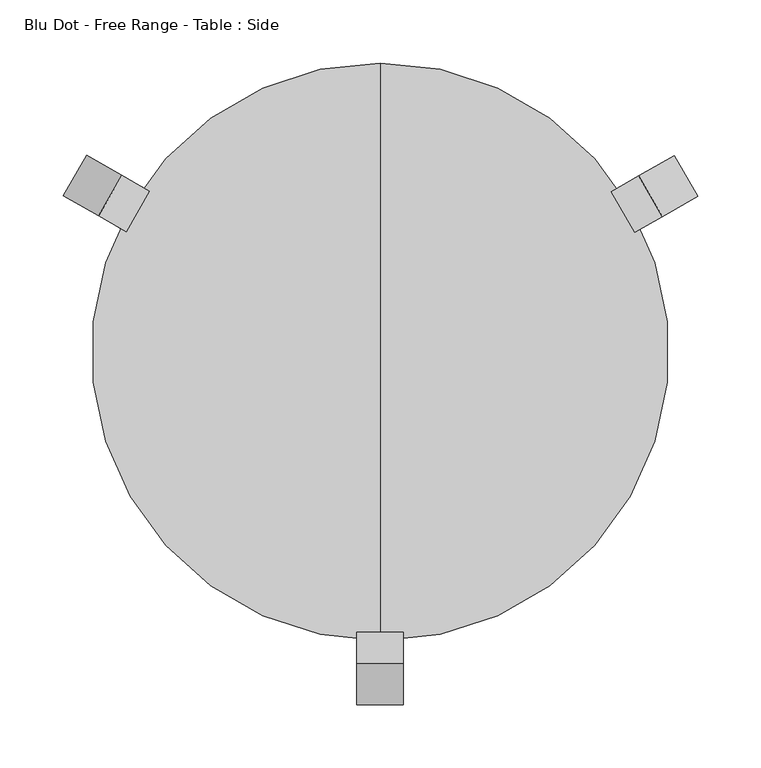
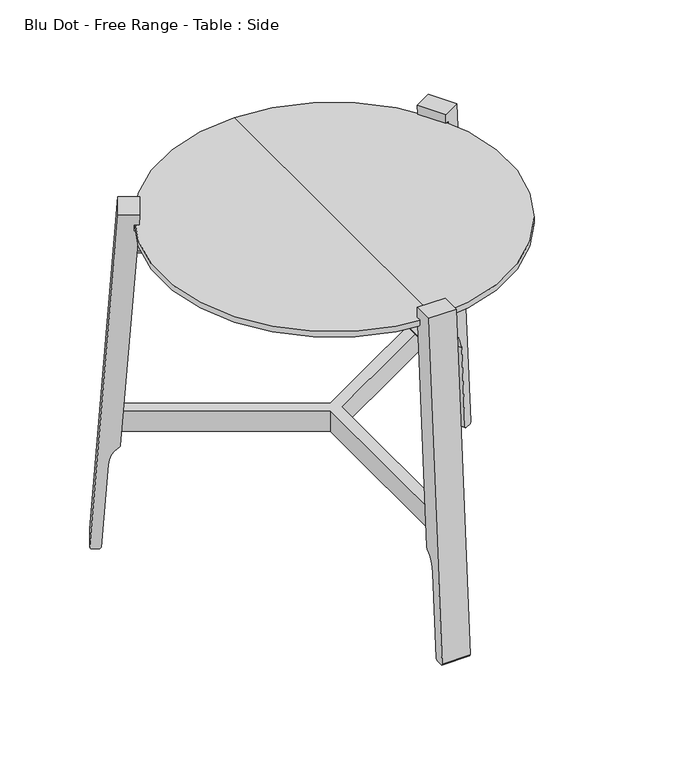
"""IFC4 building model written with IfcOpenShell, lengths in millimetres: furniture geometry, Blu Dot - Free Range - Table : Side."""

from ifc_helpers import new_model, si_unit, point, frame, frame_2d, origin, place, context, project, spatial, polyline, circle_curve, ellipse_curve, trimmed, segment, composite_curve, outline, extrude, source, transform, mapped, element, save
from ifc_brep_helpers import plane_surface, cylinder_surface, advanced_brep


def blu_dot_free_range_table_side_fd73000d(model_context):
    return source(origin(), model_context, "Body", "SolidModel", [
        advanced_brep(
        [(-3.8148108, -228.8088489, 404.9991165), (3.8148108, -228.8088489, 404.9991165), (-3.8148108, -2.202482, 404.9991165), (0.0, 0.0, 401.1843058), (3.8148108, -2.202482, 404.9991165), (0.0, 0.0, 408.8139273), (-196.2468704, 117.7081475, 404.9991165), (-200.0616812, 111.1007014, 404.9991165), (0.0, 4.404964, 404.9991165), (200.0616812, 111.1007014, 404.9991165), (196.2468704, 117.7081475, 404.9991165)],
        [
            (0, 1, circle_curve(frame((0.0, -228.8088489, 404.9991165), z_axis=(0.0, -1.0, 0.0), x_axis=(1.0, 0.0, 0.0)), 3.8148108)),
            (1, 0, circle_curve(frame((0.0, -228.8088489, 404.9991165), z_axis=(0.0, -1.0, 0.0), x_axis=(1.0, 0.0, 0.0)), 3.8148108)),
            (0, 2),
            (2, 3, ellipse_curve(frame((0.0, 0.0, 404.9991165), z_axis=(0.5000000000000023, -0.8660254037844373, 0.0), x_axis=(-0.8660254037844373, -0.5000000000000026, 0.0)), 4.404964, 3.8148108)),
            (3, 4, ellipse_curve(frame((0.0, 0.0, 404.9991165), z_axis=(-0.499999999999972, -0.8660254037844547, 0.0), x_axis=(0.8660254037844547, -0.49999999999997247, 0.0)), 4.404964, 3.8148108)),
            (4, 1),
            (4, 5, ellipse_curve(frame((0.0, 0.0, 404.9991165), z_axis=(-0.499999999999972, -0.8660254037844547, 0.0), x_axis=(0.8660254037844547, -0.49999999999997247, 0.0)), 4.404964, 3.8148108)),
            (5, 2, ellipse_curve(frame((0.0, 0.0, 404.9991165), z_axis=(0.5000000000000023, -0.8660254037844373, 0.0), x_axis=(-0.8660254037844373, -0.5000000000000026, 0.0)), 4.404964, 3.8148108)),
            (6, 7, circle_curve(frame((-198.1542758, 114.4044245, 404.9991165), z_axis=(-0.8660254037844414, 0.49999999999999534, 0.0), x_axis=(-0.49999999999999534, -0.8660254037844414, 0.0)), 3.8148108)),
            (7, 6, circle_curve(frame((-198.1542758, 114.4044245, 404.9991165), z_axis=(-0.8660254037844414, 0.49999999999999534, 0.0), x_axis=(-0.49999999999999534, -0.8660254037844414, 0.0)), 3.8148108)),
            (6, 8),
            (8, 3, ellipse_curve(frame((0.0, 0.0, 404.9991165), z_axis=(-1.0, 0.0, 0.0), x_axis=(0.0, 1.0, 0.0)), 4.404964, 3.8148108)),
            (2, 7),
            (5, 8, ellipse_curve(frame((0.0, 0.0, 404.9991165), z_axis=(-1.0, 0.0, 0.0), x_axis=(0.0, 1.0, 0.0)), 4.404964, 3.8148108)),
            (9, 10, circle_curve(frame((198.1542758, 114.4044245, 404.9991165), z_axis=(0.8660254037844064, 0.500000000000056, 0.0), x_axis=(-0.500000000000056, 0.8660254037844064, 0.0)), 3.8148108)),
            (10, 9, circle_curve(frame((198.1542758, 114.4044245, 404.9991165), z_axis=(0.8660254037844064, 0.500000000000056, 0.0), x_axis=(-0.500000000000056, 0.8660254037844064, 0.0)), 3.8148108)),
            (9, 4),
            (8, 10),
        ],
        [
            plane_surface(frame((3.8148108, -228.8088489, 404.9991165), z_axis=(0.0, -1.0, 0.0), x_axis=(0.0, 0.0, 1.0))),
            cylinder_surface(frame((0.0, 0.0, 404.9991165), z_axis=(0.0, -1.0, 0.0), x_axis=(1.0, 0.0, 0.0)), 3.8148108),
            plane_surface(frame((-200.0616812, 111.1007014, 404.9991165), z_axis=(-0.8660254037844414, 0.49999999999999534, 0.0), x_axis=(0.0, 0.0, 1.0))),
            cylinder_surface(frame((0.0, 0.0, 404.9991165), z_axis=(-0.8660254037844414, 0.49999999999999534, 0.0), x_axis=(-0.49999999999999534, -0.8660254037844414, 0.0)), 3.8148108),
            plane_surface(frame((196.2468704, 117.7081475, 404.9991165), z_axis=(0.8660254037844064, 0.500000000000056, 0.0), x_axis=(0.0, 0.0, 1.0))),
            cylinder_surface(frame((0.0, 0.0, 404.9991165), z_axis=(0.8660254037844064, 0.500000000000056, 0.0), x_axis=(-0.500000000000056, 0.8660254037844064, 0.0)), 3.8148108),
        ],
        [
            (0, [[1, 2]]),
            (1, [[-1, 3, 4, 5, 6]]),
            (1, [[-2, -6, 7, 8, -3]]),
            (2, [[9, 10]]),
            (3, [[-9, 11, 12, -4, 13]]),
            (3, [[-10, -13, -8, 14, -11]]),
            (4, [[15, 16]]),
            (5, [[-15, 17, -5, -12, 18]]),
            (5, [[-16, -18, -14, -7, -17]]),
        ],
    ),
        extrude(outline(polyline([(-7.5123951, -262.315779), (-7.4491727, -4.3007819), (-230.928326, 124.6519645), (-223.4159309, 137.6638145), (0.0, 8.6015637), (223.4159309, 137.6638145), (230.928326, 124.6519645), (7.4491727, -4.3007819), (7.5123951, -262.315779), (-7.5123951, -262.315779)])), frame((0.0, 0.0, 156.1629244), z_axis=(0.0, 0.0, 1.0), x_axis=(1.0, 0.0, 0.0)), (0.0, 0.0, 1.0), 29.0231558),
        advanced_brep(
        [(0.0, 228.6, 442.1326784), (0.0, -228.6, 442.1326784), (0.0, -228.6, 449.7482019), (0.0, 228.6, 449.7482019), (0.0, 204.5380193, 442.1326784), (0.0, -204.5380193, 442.1326784), (0.0, 204.5380193, 433.8927017), (0.0, -204.5380193, 433.8927017), (0.0, 0.0, 433.8927017), (0.0, 0.0, 449.7482019)],
        [
            (0, 1, circle_curve(frame((0.0, 0.0, 442.1326784), z_axis=(0.0, 0.0, 1.0), x_axis=(0.0, -1.0, 0.0)), 228.6)),
            (1, 2),
            (2, 3, circle_curve(frame((0.0, 0.0, 449.7482019), z_axis=(0.0, 0.0, -1.0), x_axis=(0.0, -1.0, 0.0)), 228.6)),
            (3, 0),
            (1, 0, circle_curve(frame((0.0, 0.0, 442.1326784), z_axis=(0.0, 0.0, 1.0), x_axis=(0.0, -1.0, 0.0)), 228.6)),
            (3, 2, circle_curve(frame((0.0, 0.0, 449.7482019), z_axis=(0.0, 0.0, -1.0), x_axis=(0.0, -1.0, 0.0)), 228.6)),
            (4, 5, circle_curve(frame((0.0, 0.0, 442.1326784), z_axis=(0.0, 0.0, 1.0), x_axis=(0.0, -1.0, 0.0)), 204.5380193)),
            (5, 1),
            (0, 4),
            (5, 4, circle_curve(frame((0.0, 0.0, 442.1326784), z_axis=(0.0, 0.0, 1.0), x_axis=(0.0, -1.0, 0.0)), 204.5380193)),
            (6, 7, circle_curve(frame((0.0, 0.0, 433.8927017), z_axis=(0.0, 0.0, 1.0), x_axis=(0.0, -1.0, 0.0)), 204.5380193)),
            (7, 5),
            (4, 6),
            (7, 6, circle_curve(frame((0.0, 0.0, 433.8927017), z_axis=(0.0, 0.0, 1.0), x_axis=(0.0, -1.0, 0.0)), 204.5380193)),
            (8, 7),
            (6, 8),
            (2, 9),
            (9, 3),
        ],
        [
            cylinder_surface(frame((0.0, 0.0, 496.6249676), z_axis=(0.0, 0.0, -1.0), x_axis=(0.0, -1.0, 0.0)), 228.6),
            plane_surface(frame((0.0, 0.0, 442.1326784), z_axis=(0.0, 0.0, -1.0), x_axis=(0.0, -1.0, 0.0))),
            cylinder_surface(frame((0.0, 0.0, 496.6249676), z_axis=(0.0, 0.0, -1.0), x_axis=(0.0, -1.0, 0.0)), 204.5380193),
            plane_surface(frame((0.0, 0.0, 433.8927017), z_axis=(0.0, 0.0, -1.0), x_axis=(0.0, -1.0, 0.0))),
            plane_surface(frame((0.0, 0.0, 449.7482019), z_axis=(0.0, 0.0, 1.0), x_axis=(0.0, -1.0, 0.0))),
        ],
        [
            (0, [[1, 2, 3, 4]]),
            (0, [[5, -4, 6, -2]]),
            (1, [[7, 8, -1, 9]]),
            (1, [[10, -9, -5, -8]]),
            (2, [[11, 12, -7, 13]]),
            (2, [[14, -13, -10, -12]]),
            (3, [[15, -11, 16]]),
            (3, [[-16, -14, -15]]),
            (4, [[-3, 17, 18]]),
            (4, [[-6, -18, -17]]),
        ],
    ),
        extrude(outline(composite_curve([segment(polyline([(-2.7197135, 0.0), (0.0, 0.0), (5.2657933, -8.5311298), (4.3067499, -11.3845329), (-89.5926044, -78.3979699)]), True, "CONTINUOUS"), segment(trimmed(circle_curve(frame_2d((-69.370946, -106.732596)), 34.8104367), [point((-89.5926044, -78.3979699))], [point((-103.8638678, -102.0416638))], True, "CARTESIAN"), True, "CONTINUOUS"), segment(trimmed(circle_curve(frame_2d((-107.6391158, -101.5282416)), 3.81), [point((-103.8638678, -102.0416638))], [point((-105.4172346, -104.623293))], False, "CARTESIAN"), True, "CONTINUOUS"), segment(polyline([(-105.4172346, -104.623293), (-348.2067833, -278.9175027), (-351.0293253, -274.3446927), (-358.8018222, -279.2212178), (-355.6293991, -284.3608713), (-366.1336838, -291.8887944), (-379.3397844, -270.4935457), (-2.7197135, 0.0)]), True, "CONTINUOUS")], self_intersect=False)), frame((-249.8029884, 123.1013216, 0.0), z_axis=(0.5000000000000494, 0.8660254037844101, 0.0), x_axis=(0.4548754478004303, -0.2626224622353511, -0.8509510969014611)), (0.0, 0.0, 1.0), 37.1039194),
        extrude(outline(composite_curve([segment(polyline([(2.7197135, 0.0), (379.3397844, -270.4935457), (366.1336838, -291.8887944), (355.6293991, -284.3608712), (358.8018222, -279.2212178), (351.0293253, -274.3446927), (348.2067833, -278.9175027), (105.4172345, -104.623293)]), True, "CONTINUOUS"), segment(trimmed(circle_curve(frame_2d((107.6391159, -101.5282416)), 3.81), [point((105.4172345, -104.623293))], [point((103.8638678, -102.0416638))], False, "CARTESIAN"), True, "CONTINUOUS"), segment(trimmed(circle_curve(frame_2d((69.370946, -106.7325959)), 34.8104367), [point((103.8638678, -102.0416638))], [point((89.5926044, -78.3979699))], True, "CARTESIAN"), True, "CONTINUOUS"), segment(polyline([(89.5926044, -78.3979699), (-4.3067499, -11.3845329), (-5.2657933, -8.5311298), (0.0, 0.0), (2.7197135, 0.0)]), True, "CONTINUOUS")], self_intersect=False)), frame((250.0623256, 122.6521364, 0.0), z_axis=(-0.49999999999999856, 0.8660254037844394, 0.0), x_axis=(0.45487544780043004, 0.26262246223534247, 0.8509510969014639)), (0.0, 0.0, 1.0), 37.1039194),
        extrude(outline(composite_curve([segment(polyline([(-279.3149104, 2.3143432), (-246.9559117, 464.8749676), (-221.813164, 464.8749676), (-222.7017362, 451.9823316), (-228.7416292, 451.9823316), (-228.8088489, 442.8069468), (-223.4350854, 442.8069468), (-244.2269561, 144.657765)]), True, "CONTINUOUS"), segment(trimmed(circle_curve(frame_2d((-248.0277255, 144.9228173)), 3.81), [point((-244.2269561, 144.657765))], [point((-245.6078984, 141.9799382))], False, "CARTESIAN"), True, "CONTINUOUS"), segment(trimmed(circle_curve(frame_2d((-223.4989124, 115.0920369)), 34.8104367), [point((-245.6078984, 141.9799382))], [point((-258.231617, 117.4170608))], True, "CARTESIAN"), True, "CONTINUOUS"), segment(polyline([(-258.231617, 117.4170608), (-265.9366154, 2.3148346), (-267.8609892, 0.0), (-277.8863947, 0.0), (-279.3149104, 2.3143432)]), True, "CONTINUOUS")], self_intersect=False)), frame((-18.8112969, 0.0, 0.0), z_axis=(1.0, 0.0, 0.0), x_axis=(0.0, 1.0, 0.0)), (0.0, 0.0, 1.0), 37.1039194),
    ])


if __name__ == "__main__":
    model = new_model("IFC4")
    model_context = context("Model", 3, world=origin())
    ifc_project = project(units=[si_unit("LENGTHUNIT", "METRE", prefix="MILLI")], contexts=[model_context])
    site = spatial("IfcSite", under=ifc_project)
    building = spatial("IfcBuilding", under=site)
    placement = place(None, origin())
    blu_dot_free_range_table_side_shape = blu_dot_free_range_table_side_fd73000d(model_context)
    element("IfcFurniture", 1, ObjectType="Blu Dot - Free Range - Table : Side", at=placement, inside=building, context=model_context, shape_type="MappedRepresentation", body=[
        mapped(blu_dot_free_range_table_side_shape, transform((0.0, 0.0, 0.0), x_axis=(1.0, 0.0, 0.0), y_axis=(0.0, 1.0, 0.0), z_axis=(0.0, 0.0, 1.0))),
    ])
    save(model, "model.ifc")
